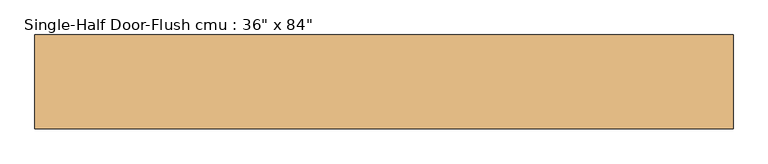
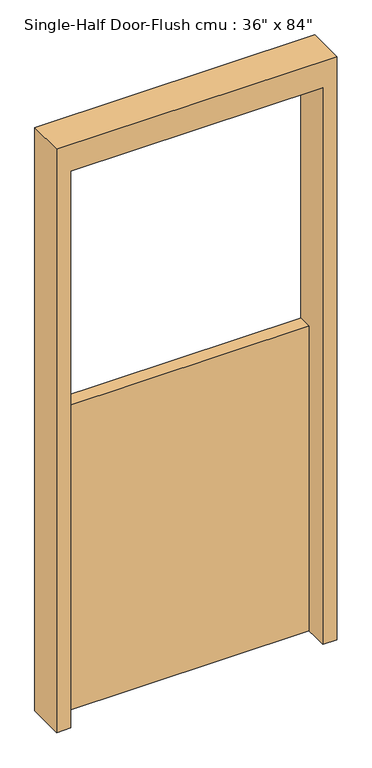
"""IFC4 building model written with IfcOpenShell, lengths in millimetres: door geometry."""

from ifc_helpers import new_model, si_unit, frame, origin, origin_with_axes, place, context, project, spatial, polyline, outline, extrude, source, transform, mapped, element, save


def door_452aa5ef(model_context):
    return source(origin(), model_context, "Body", "SweptSolid", [
        extrude(outline(polyline([(2235.2, 508.0), (2235.2, -508.0), (0.0, -508.0), (0.0, -457.2), (2133.6, -457.2), (2133.6, 457.2), (0.0, 457.2), (0.0, 508.0), (2235.2, 508.0)])), frame((0.0, -68.2625, 0.0), z_axis=(0.0, 1.0, 0.0), x_axis=(0.0, 0.0, 1.0)), (0.0, 0.0, 1.0), 136.525),
        extrude(outline(polyline([(457.2, 17.4625), (-457.2, 17.4625), (-457.2, 68.2625), (457.2, 68.2625), (457.2, 17.4625)])), origin_with_axes(), (0.0, 0.0, 1.0), 1168.4),
    ])


if __name__ == "__main__":
    model = new_model("IFC4")
    model_context = context("Model", 3, world=origin())
    ifc_project = project(units=[si_unit("LENGTHUNIT", "METRE", prefix="MILLI")], contexts=[model_context])
    site = spatial("IfcSite", under=ifc_project)
    building = spatial("IfcBuilding", under=site)
    placement = place(None, origin())
    door_shape = door_452aa5ef(model_context)
    element("IfcDoor", 1, ObjectType="Single-Half Door-Flush cmu : 36\" x 84\"", at=placement, inside=building, context=model_context, shape_type="MappedRepresentation", body=[
        mapped(door_shape, transform((0.0, 0.0, 0.0), x_axis=(1.0, 0.0, 0.0), y_axis=(0.0, 1.0, 0.0), z_axis=(0.0, 0.0, 1.0))),
    ])
    save(model, "model.ifc")
